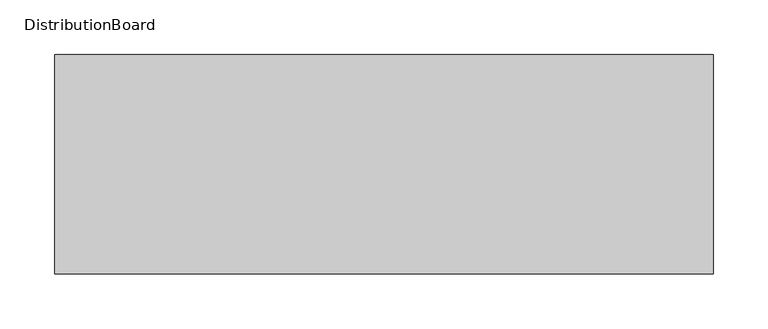
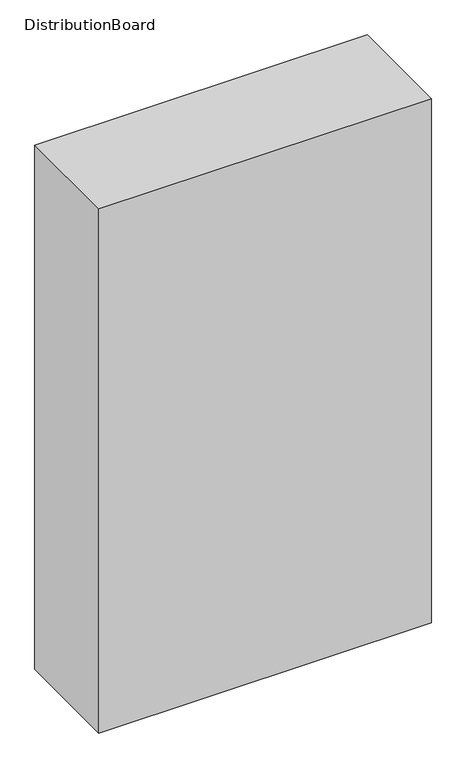
"""IFC4 building model written with IfcOpenShell, lengths in millimetres: proxy geometry, DistributionBoard."""

import ifcopenshell
import ifcopenshell.guid

model = None  # the IFC model being written
_history = None  # IfcOwnerHistory: only IFC2X3 demands one
_inside = {}  # id of a spatial element -> (the spatial element, [elements in it])
_under = {}  # id of a project, library or spatial element -> (it, [spatial elements below it])
_declared = {}  # id of a project -> (the project, [libraries it declares])
_typed = {}  # id of a type object -> (the type object, [elements of that type])
_made_of = {}  # id of a material, layer set ... -> (it, [elements and type objects made of it])


def new_model(schema):
    """Start an empty IFC model of exactly this schema.

    Asked for "IFC4X3", IfcOpenShell would pick the latest addendum, in which some entities
    have other attributes; the version numbers below select the first issue.
    IFC2X3 requires an IfcOwnerHistory on every rooted entity: one is made here for all.
    """
    global model, _history
    if schema == "IFC4X3":
        model = ifcopenshell.file(schema_version=(4, 3, 0, 0))
    else:
        model = ifcopenshell.file(schema=schema)
    _inside.clear()
    _under.clear()
    _declared.clear()
    _typed.clear()
    _made_of.clear()
    _history = None
    if model.schema == "IFC2X3":
        org = make("IfcOrganization", Name="unknown")
        user = make(
            "IfcPersonAndOrganization",
            ThePerson=make("IfcPerson", FamilyName="unknown"),
            TheOrganization=org,
        )
        app = make(
            "IfcApplication",
            ApplicationDeveloper=org,
            Version="unknown",
            ApplicationFullName="unknown",
            ApplicationIdentifier="unknown",
        )
        _history = make(
            "IfcOwnerHistory",
            OwningUser=user,
            OwningApplication=app,
            ChangeAction="ADDED",
            CreationDate=0,
        )
    return model


def make(cls, **values):
    """One entity of the class cls with the attributes given. An attribute that is None is left unset."""
    return model.create_entity(
        cls, **{name: value for name, value in values.items() if value is not None}
    )


def rooted(cls, **values):
    """An entity with a GlobalId (a new one), such as an element, a storey or a relation."""
    return make(cls, GlobalId=ifcopenshell.guid.new(), OwnerHistory=_history, **values)


def si_unit(unit_type, name, prefix=None):
    """IfcSIUnit, for example si_unit("LENGTHUNIT", "METRE", prefix="MILLI")."""
    return make("IfcSIUnit", UnitType=unit_type, Prefix=prefix, Name=name)


def assignment(units):
    """IfcUnitAssignment: the units of a project."""
    return None if units is None else make("IfcUnitAssignment", Units=units)


def point(xyz):
    """IfcCartesianPoint."""
    return None if xyz is None else make("IfcCartesianPoint", Coordinates=xyz)


def direction(xyz):
    """IfcDirection."""
    return None if xyz is None else make("IfcDirection", DirectionRatios=xyz)


def frame(location, z_axis=None, x_axis=None):
    """IfcAxis2Placement3D, a coordinate frame: its origin and axes. An axis left out is left unset."""
    return make(
        "IfcAxis2Placement3D",
        Location=point(location),
        Axis=direction(z_axis),
        RefDirection=direction(x_axis),
    )


def origin():
    """The frame at (0, 0, 0) with its axes left unset."""
    return frame((0.0, 0.0, 0.0))


def origin_with_axes():
    """The frame at (0, 0, 0) with the z axis (0, 0, 1) and the x axis (1, 0, 0) written out."""
    return frame((0.0, 0.0, 0.0), z_axis=(0.0, 0.0, 1.0), x_axis=(1.0, 0.0, 0.0))


def place(relative_to, where):
    """IfcLocalPlacement: puts the frame where relative to a parent placement (None: the world)."""
    return make(
        "IfcLocalPlacement", PlacementRelTo=relative_to, RelativePlacement=where
    )


def context(
    kind, dimensions, precision=None, world=None, true_north=None, identifier=None
):
    """IfcGeometricRepresentationContext, for example the 3D "Model" context."""
    return make(
        "IfcGeometricRepresentationContext",
        ContextIdentifier=identifier,
        ContextType=kind,
        CoordinateSpaceDimension=dimensions,
        Precision=precision,
        WorldCoordinateSystem=world,
        TrueNorth=true_north,
    )


def project(units=None, contexts=None):
    """IfcProject with its units and contexts."""
    return rooted(
        "IfcProject",
        Name="project",
        RepresentationContexts=contexts,
        UnitsInContext=assignment(units),
    )


def spatial(cls, under=None, at=None, **own):
    """A site, building, storey or space (cls), placed at a placement, below another one or the project."""
    s = rooted(cls, ObjectPlacement=at, **own)
    if under is not None:
        _under.setdefault(under.id(), (under, []))[1].append(s)
    return s


def polyline(points):
    """IfcPolyline through the points."""
    return make("IfcPolyline", Points=[point(p) for p in points])


def outline(outer, holes=None, kind="AREA"):
    """IfcArbitraryClosedProfileDef: a profile drawn as a closed curve; with holes, ...WithVoids."""
    if holes is None:
        return make("IfcArbitraryClosedProfileDef", ProfileType=kind, OuterCurve=outer)
    return make(
        "IfcArbitraryProfileDefWithVoids",
        ProfileType=kind,
        OuterCurve=outer,
        InnerCurves=holes,
    )


def extrude(swept, where, along, depth):
    """IfcExtrudedAreaSolid: the profile swept, set in the frame where, extruded along a direction by depth."""
    return make(
        "IfcExtrudedAreaSolid",
        SweptArea=swept,
        Position=where,
        ExtrudedDirection=direction(along),
        Depth=depth,
    )


def shape(context_of_items, identifier, shape_type, items):
    """IfcShapeRepresentation: the items that make up one representation, for example the "Body"."""
    return make(
        "IfcShapeRepresentation",
        ContextOfItems=context_of_items,
        RepresentationIdentifier=identifier,
        RepresentationType=shape_type,
        Items=items,
    )


def source(mapping_origin, context_of_items, identifier, shape_type, items):
    """IfcRepresentationMap: a shape defined once, which mapped items show again and again."""
    return make(
        "IfcRepresentationMap",
        MappingOrigin=mapping_origin,
        MappedRepresentation=shape(context_of_items, identifier, shape_type, items),
    )


def transform(
    local_origin,
    x_axis=None,
    y_axis=None,
    z_axis=None,
    scale=None,
    scale2=None,
    scale3=None,
    uniform=True,
):
    """IfcCartesianTransformationOperator3D, or its non-uniform kind. x_axis, y_axis, z_axis: its Axis1, 2, 3."""
    if uniform:
        return make(
            "IfcCartesianTransformationOperator3D",
            Axis1=direction(x_axis),
            Axis2=direction(y_axis),
            LocalOrigin=point(local_origin),
            Scale=scale,
            Axis3=direction(z_axis),
        )
    return make(
        "IfcCartesianTransformationOperator3DnonUniform",
        Axis1=direction(x_axis),
        Axis2=direction(y_axis),
        LocalOrigin=point(local_origin),
        Scale=scale,
        Axis3=direction(z_axis),
        Scale2=scale2,
        Scale3=scale3,
    )


def mapped(mapping_source, mapping_target):
    """IfcMappedItem: shows the shape of a source again, moved by a transform."""
    return make(
        "IfcMappedItem", MappingSource=mapping_source, MappingTarget=mapping_target
    )


def made_of(thing, what):
    """Note that an element or type object is made of a material, layer set ...; save() writes the relation."""
    if what is not None:
        _made_of.setdefault(what.id(), (what, []))[1].append(thing)
    return thing


def element(
    cls,
    number,
    at=None,
    inside=None,
    cuts=None,
    type_object=None,
    material=None,
    context=None,
    identifier="Body",
    shape_type=None,
    held_by="IfcProductDefinitionShape",
    body=None,
    shapes=None,
    **own,
):
    """One element of the class cls, such as IfcWall. Its Tag is "e" and its number.

    at: its placement. inside: the storey or other place that contains it. cuts: it is an
    opening in that element (IfcRelVoidsElement). A single representation is given by context,
    identifier, shape_type and body (its items); several are given by shapes. held_by: the class
    of the entity that holds the representations. save() writes the other relations.
    """
    e = rooted(cls, Tag="e%d" % number, ObjectPlacement=at, **own)
    if body is not None:
        shapes = [shape(context, identifier, shape_type, body)]
    if shapes is not None:
        e.Representation = make(held_by, Representations=shapes)
    if inside is not None:
        _inside.setdefault(inside.id(), (inside, []))[1].append(e)
    if cuts is not None:
        rooted(
            "IfcRelVoidsElement", RelatingBuildingElement=cuts, RelatedOpeningElement=e
        )
    if type_object is not None:
        _typed.setdefault(type_object.id(), (type_object, []))[1].append(e)
    return made_of(e, material)


def aggregate(whole, parts):
    """IfcRelAggregates: a whole, such as a stair, and the parts it consists of."""
    return rooted("IfcRelAggregates", RelatingObject=whole, RelatedObjects=parts)


def save(model, path):
    """Write the relations noted so far, then the file.

    IfcRelAggregates (storeys below a building ...), IfcRelContainedInSpatialStructure (elements
    in a storey), IfcRelDefinesByType, IfcRelAssociatesMaterial and IfcRelDeclares: one each for
    every whole, place, type object, material and project.
    """
    for whole, parts in _under.values():
        aggregate(whole, parts)
    for where, things in _inside.values():
        rooted(
            "IfcRelContainedInSpatialStructure",
            RelatedElements=things,
            RelatingStructure=where,
        )
    for kind, things in _typed.values():
        rooted("IfcRelDefinesByType", RelatedObjects=things, RelatingType=kind)
    for what, things in _made_of.values():
        rooted("IfcRelAssociatesMaterial", RelatedObjects=things, RelatingMaterial=what)
    for by, libraries in _declared.values():
        rooted("IfcRelDeclares", RelatingContext=by, RelatedDefinitions=libraries)
    model.write(path)


def distributionboard_c849aec5(model_context):
    return source(origin(), model_context, "Body", "SweptSolid", [
        extrude(outline(polyline([(600.0, 0.0), (0.0, 0.0), (0.0, 200.0), (600.0, 200.0), (600.0, 0.0)])), origin_with_axes(), (0.0, 0.0, 1.0), 1000.0),
    ])


if __name__ == "__main__":
    model = new_model("IFC4")
    model_context = context("Model", 3, world=origin())
    ifc_project = project(units=[si_unit("LENGTHUNIT", "METRE", prefix="MILLI")], contexts=[model_context])
    site = spatial("IfcSite", under=ifc_project)
    building = spatial("IfcBuilding", under=site)
    placement = place(None, origin())
    distributionboard_shape = distributionboard_c849aec5(model_context)
    element("IfcBuildingElementProxy", 1, Name="DistributionBoard", ObjectType="DistributionBoard", at=placement, inside=building, context=model_context, shape_type="MappedRepresentation", body=[
        mapped(distributionboard_shape, transform((0.0, 0.0, 0.0), x_axis=(1.0, 0.0, 0.0), y_axis=(0.0, 1.0, 0.0), z_axis=(0.0, 0.0, 1.0))),
    ])
    save(model, "model.ifc")
